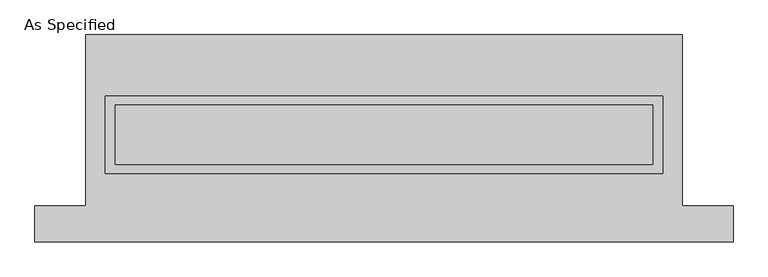
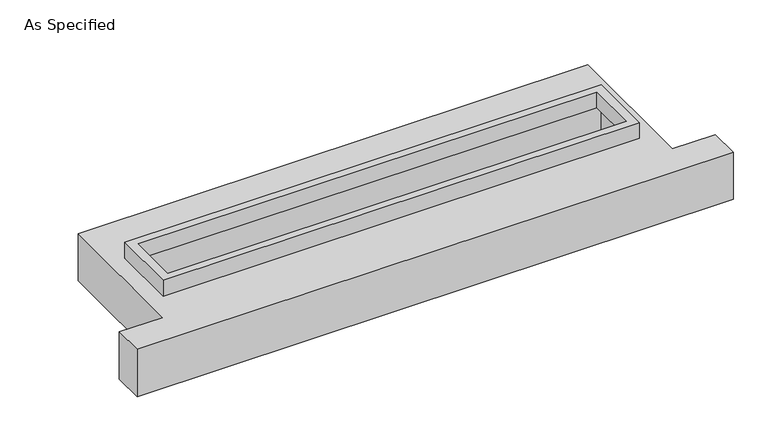
"""IFC4 building model written with IfcOpenShell, lengths in millimetres: proxy geometry, As Specified."""

import ifcopenshell
import ifcopenshell.guid

model = None  # the IFC model being written
_history = None  # IfcOwnerHistory: only IFC2X3 demands one
_inside = {}  # id of a spatial element -> (the spatial element, [elements in it])
_under = {}  # id of a project, library or spatial element -> (it, [spatial elements below it])
_declared = {}  # id of a project -> (the project, [libraries it declares])
_typed = {}  # id of a type object -> (the type object, [elements of that type])
_made_of = {}  # id of a material, layer set ... -> (it, [elements and type objects made of it])


def new_model(schema):
    """Start an empty IFC model of exactly this schema.

    Asked for "IFC4X3", IfcOpenShell would pick the latest addendum, in which some entities
    have other attributes; the version numbers below select the first issue.
    IFC2X3 requires an IfcOwnerHistory on every rooted entity: one is made here for all.
    """
    global model, _history
    if schema == "IFC4X3":
        model = ifcopenshell.file(schema_version=(4, 3, 0, 0))
    else:
        model = ifcopenshell.file(schema=schema)
    _inside.clear()
    _under.clear()
    _declared.clear()
    _typed.clear()
    _made_of.clear()
    _history = None
    if model.schema == "IFC2X3":
        org = make("IfcOrganization", Name="unknown")
        user = make(
            "IfcPersonAndOrganization",
            ThePerson=make("IfcPerson", FamilyName="unknown"),
            TheOrganization=org,
        )
        app = make(
            "IfcApplication",
            ApplicationDeveloper=org,
            Version="unknown",
            ApplicationFullName="unknown",
            ApplicationIdentifier="unknown",
        )
        _history = make(
            "IfcOwnerHistory",
            OwningUser=user,
            OwningApplication=app,
            ChangeAction="ADDED",
            CreationDate=0,
        )
    return model


def make(cls, **values):
    """One entity of the class cls with the attributes given. An attribute that is None is left unset."""
    return model.create_entity(
        cls, **{name: value for name, value in values.items() if value is not None}
    )


def rooted(cls, **values):
    """An entity with a GlobalId (a new one), such as an element, a storey or a relation."""
    return make(cls, GlobalId=ifcopenshell.guid.new(), OwnerHistory=_history, **values)


def si_unit(unit_type, name, prefix=None):
    """IfcSIUnit, for example si_unit("LENGTHUNIT", "METRE", prefix="MILLI")."""
    return make("IfcSIUnit", UnitType=unit_type, Prefix=prefix, Name=name)


def assignment(units):
    """IfcUnitAssignment: the units of a project."""
    return None if units is None else make("IfcUnitAssignment", Units=units)


def point(xyz):
    """IfcCartesianPoint."""
    return None if xyz is None else make("IfcCartesianPoint", Coordinates=xyz)


def direction(xyz):
    """IfcDirection."""
    return None if xyz is None else make("IfcDirection", DirectionRatios=xyz)


def frame(location, z_axis=None, x_axis=None):
    """IfcAxis2Placement3D, a coordinate frame: its origin and axes. An axis left out is left unset."""
    return make(
        "IfcAxis2Placement3D",
        Location=point(location),
        Axis=direction(z_axis),
        RefDirection=direction(x_axis),
    )


def origin():
    """The frame at (0, 0, 0) with its axes left unset."""
    return frame((0.0, 0.0, 0.0))


def place(relative_to, where):
    """IfcLocalPlacement: puts the frame where relative to a parent placement (None: the world)."""
    return make(
        "IfcLocalPlacement", PlacementRelTo=relative_to, RelativePlacement=where
    )


def context(
    kind, dimensions, precision=None, world=None, true_north=None, identifier=None
):
    """IfcGeometricRepresentationContext, for example the 3D "Model" context."""
    return make(
        "IfcGeometricRepresentationContext",
        ContextIdentifier=identifier,
        ContextType=kind,
        CoordinateSpaceDimension=dimensions,
        Precision=precision,
        WorldCoordinateSystem=world,
        TrueNorth=true_north,
    )


def project(units=None, contexts=None):
    """IfcProject with its units and contexts."""
    return rooted(
        "IfcProject",
        Name="project",
        RepresentationContexts=contexts,
        UnitsInContext=assignment(units),
    )


def spatial(cls, under=None, at=None, **own):
    """A site, building, storey or space (cls), placed at a placement, below another one or the project."""
    s = rooted(cls, ObjectPlacement=at, **own)
    if under is not None:
        _under.setdefault(under.id(), (under, []))[1].append(s)
    return s


def polyline(points):
    """IfcPolyline through the points."""
    return make("IfcPolyline", Points=[point(p) for p in points])


def outline(outer, holes=None, kind="AREA"):
    """IfcArbitraryClosedProfileDef: a profile drawn as a closed curve; with holes, ...WithVoids."""
    if holes is None:
        return make("IfcArbitraryClosedProfileDef", ProfileType=kind, OuterCurve=outer)
    return make(
        "IfcArbitraryProfileDefWithVoids",
        ProfileType=kind,
        OuterCurve=outer,
        InnerCurves=holes,
    )


def extrude(swept, where, along, depth):
    """IfcExtrudedAreaSolid: the profile swept, set in the frame where, extruded along a direction by depth."""
    return make(
        "IfcExtrudedAreaSolid",
        SweptArea=swept,
        Position=where,
        ExtrudedDirection=direction(along),
        Depth=depth,
    )


def faces_of(points, faces, orient=None, outer=None):
    """IfcFace entities. A face is a list of loops; a loop is a list of indices into points, from 0.

    orient and outer hold one flag for each loop. By default every Orientation is true, the
    first loop of a face is its IfcFaceOuterBound and the others are IfcFaceBound.
    """
    made = []
    for i, loops in enumerate(faces):
        bounds = []
        for j, loop in enumerate(loops):
            is_outer = j == 0 if outer is None else outer[i][j]
            bounds.append(
                make(
                    "IfcFaceOuterBound" if is_outer else "IfcFaceBound",
                    Bound=make("IfcPolyLoop", Polygon=[points[k] for k in loop]),
                    Orientation=True if orient is None else orient[i][j],
                )
            )
        made.append(make("IfcFace", Bounds=bounds))
    return made


def faceted_brep(points, faces, orient=None, outer=None, voids=None):
    """IfcFacetedBrep: a solid bounded by flat faces; with voids (closed shells), ...WithVoids."""
    shared = [point(p) for p in points]
    hull = make("IfcClosedShell", CfsFaces=faces_of(shared, faces, orient, outer))
    if voids is None:
        return make("IfcFacetedBrep", Outer=hull)
    return make(
        "IfcFacetedBrepWithVoids",
        Outer=hull,
        Voids=[
            make(cls, CfsFaces=faces_of(shared, fs, o, b)) for cls, fs, o, b in voids
        ],
    )


def shape(context_of_items, identifier, shape_type, items):
    """IfcShapeRepresentation: the items that make up one representation, for example the "Body"."""
    return make(
        "IfcShapeRepresentation",
        ContextOfItems=context_of_items,
        RepresentationIdentifier=identifier,
        RepresentationType=shape_type,
        Items=items,
    )


def source(mapping_origin, context_of_items, identifier, shape_type, items):
    """IfcRepresentationMap: a shape defined once, which mapped items show again and again."""
    return make(
        "IfcRepresentationMap",
        MappingOrigin=mapping_origin,
        MappedRepresentation=shape(context_of_items, identifier, shape_type, items),
    )


def transform(
    local_origin,
    x_axis=None,
    y_axis=None,
    z_axis=None,
    scale=None,
    scale2=None,
    scale3=None,
    uniform=True,
):
    """IfcCartesianTransformationOperator3D, or its non-uniform kind. x_axis, y_axis, z_axis: its Axis1, 2, 3."""
    if uniform:
        return make(
            "IfcCartesianTransformationOperator3D",
            Axis1=direction(x_axis),
            Axis2=direction(y_axis),
            LocalOrigin=point(local_origin),
            Scale=scale,
            Axis3=direction(z_axis),
        )
    return make(
        "IfcCartesianTransformationOperator3DnonUniform",
        Axis1=direction(x_axis),
        Axis2=direction(y_axis),
        LocalOrigin=point(local_origin),
        Scale=scale,
        Axis3=direction(z_axis),
        Scale2=scale2,
        Scale3=scale3,
    )


def mapped(mapping_source, mapping_target):
    """IfcMappedItem: shows the shape of a source again, moved by a transform."""
    return make(
        "IfcMappedItem", MappingSource=mapping_source, MappingTarget=mapping_target
    )


def made_of(thing, what):
    """Note that an element or type object is made of a material, layer set ...; save() writes the relation."""
    if what is not None:
        _made_of.setdefault(what.id(), (what, []))[1].append(thing)
    return thing


def element(
    cls,
    number,
    at=None,
    inside=None,
    cuts=None,
    type_object=None,
    material=None,
    context=None,
    identifier="Body",
    shape_type=None,
    held_by="IfcProductDefinitionShape",
    body=None,
    shapes=None,
    **own,
):
    """One element of the class cls, such as IfcWall. Its Tag is "e" and its number.

    at: its placement. inside: the storey or other place that contains it. cuts: it is an
    opening in that element (IfcRelVoidsElement). A single representation is given by context,
    identifier, shape_type and body (its items); several are given by shapes. held_by: the class
    of the entity that holds the representations. save() writes the other relations.
    """
    e = rooted(cls, Tag="e%d" % number, ObjectPlacement=at, **own)
    if body is not None:
        shapes = [shape(context, identifier, shape_type, body)]
    if shapes is not None:
        e.Representation = make(held_by, Representations=shapes)
    if inside is not None:
        _inside.setdefault(inside.id(), (inside, []))[1].append(e)
    if cuts is not None:
        rooted(
            "IfcRelVoidsElement", RelatingBuildingElement=cuts, RelatedOpeningElement=e
        )
    if type_object is not None:
        _typed.setdefault(type_object.id(), (type_object, []))[1].append(e)
    return made_of(e, material)


def aggregate(whole, parts):
    """IfcRelAggregates: a whole, such as a stair, and the parts it consists of."""
    return rooted("IfcRelAggregates", RelatingObject=whole, RelatedObjects=parts)


def save(model, path):
    """Write the relations noted so far, then the file.

    IfcRelAggregates (storeys below a building ...), IfcRelContainedInSpatialStructure (elements
    in a storey), IfcRelDefinesByType, IfcRelAssociatesMaterial and IfcRelDeclares: one each for
    every whole, place, type object, material and project.
    """
    for whole, parts in _under.values():
        aggregate(whole, parts)
    for where, things in _inside.values():
        rooted(
            "IfcRelContainedInSpatialStructure",
            RelatedElements=things,
            RelatingStructure=where,
        )
    for kind, things in _typed.values():
        rooted("IfcRelDefinesByType", RelatedObjects=things, RelatingType=kind)
    for what, things in _made_of.values():
        rooted("IfcRelAssociatesMaterial", RelatedObjects=things, RelatingMaterial=what)
    for by, libraries in _declared.values():
        rooted("IfcRelDeclares", RelatingContext=by, RelatedDefinitions=libraries)
    model.write(path)


def as_specified_e51699a9(model_context):
    return source(origin(), model_context, "Body", "SolidModel", [
        extrude(outline(polyline([(2374.9, 361.95), (2374.9, -298.45), (-2374.9, -298.45), (-2374.9, 361.95), (2374.9, 361.95)]), holes=[polyline([(2286.0, 285.75), (-2286.0, 285.75), (-2286.0, -222.25), (2286.0, -222.25), (2286.0, 285.75)])]), frame((0.0, 0.0, -25.4), z_axis=(0.0, 0.0, 1.0), x_axis=(1.0, 0.0, 0.0)), (0.0, 0.0, 1.0), 165.1),
        faceted_brep([(-2540.0, 882.65, -523.875), (2540.0, 882.65, -523.875), (2540.0, -577.85, -523.875), (2971.8, -577.85, -523.875), (2971.8, -882.65, -523.875), (-2971.8, -882.65, -523.875), (-2971.8, -577.85, -523.875), (-2540.0, -577.85, -523.875), (2540.0, 882.65, -25.4), (-2540.0, 882.65, -25.4), (-2540.0, -577.85, -25.4), (-2971.8, -577.85, -25.4), (-2971.8, -882.65, -25.4), (2971.8, -882.65, -25.4), (2971.8, -577.85, -25.4), (2540.0, -577.85, -25.4), (-2374.9, -298.45, -25.4), (-2374.9, 361.95, -25.4), (2374.9, 361.95, -25.4), (2374.9, -298.45, -25.4), (2374.9, 361.95, -498.475), (-2374.9, 361.95, -498.475), (-2374.9, -298.45, -498.475), (2374.9, -298.45, -498.475)], [[[0, 1, 2, 3, 4, 5, 6, 7]], [[8, 9, 10, 11, 12, 13, 14, 15], [16, 17, 18, 19]], [[1, 0, 9, 8]], [[9, 0, 7, 10]], [[1, 8, 15, 2]], [[20, 21, 22, 23]], [[22, 21, 17, 16]], [[21, 20, 18, 17]], [[20, 23, 19, 18]], [[23, 22, 16, 19]], [[5, 4, 13, 12]], [[3, 2, 15, 14]], [[4, 3, 14, 13]], [[7, 6, 11, 10]], [[6, 5, 12, 11]]]),
    ])


if __name__ == "__main__":
    model = new_model("IFC4")
    model_context = context("Model", 3, world=origin())
    ifc_project = project(units=[si_unit("LENGTHUNIT", "METRE", prefix="MILLI")], contexts=[model_context])
    site = spatial("IfcSite", under=ifc_project)
    building = spatial("IfcBuilding", under=site)
    placement = place(None, origin())
    as_specified_shape = as_specified_e51699a9(model_context)
    element("IfcBuildingElementProxy", 1, Name="As Specified", ObjectType="As Specified", at=placement, inside=building, context=model_context, shape_type="MappedRepresentation", body=[
        mapped(as_specified_shape, transform((0.0, 0.0, 0.0), x_axis=(1.0, 0.0, 0.0), y_axis=(0.0, 1.0, 0.0), z_axis=(0.0, 0.0, 1.0))),
    ])
    save(model, "model.ifc")
